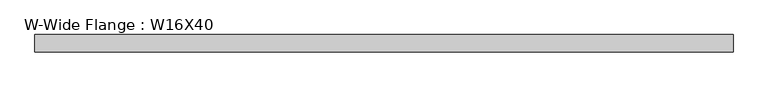
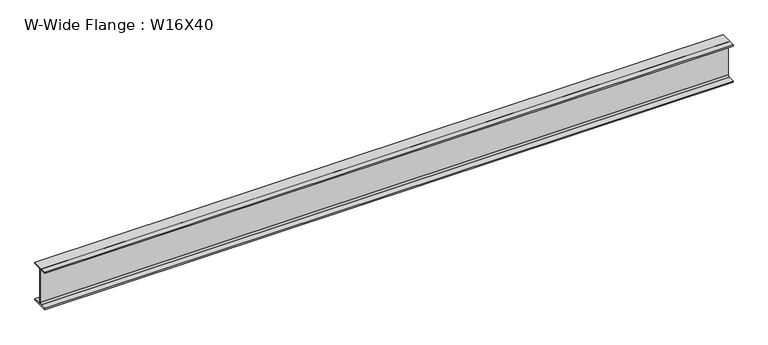
"""IFC4 building model written with IfcOpenShell, lengths in millimetres: beam geometry, W-Wide Flange : W16X40."""

from ifc_helpers import new_model, si_unit, point, frame, frame_2d, origin, place, context, project, spatial, polyline, circle_curve, trimmed, segment, composite_curve, outline, extrude, source, transform, mapped, element, save


def w_wide_flange_w16x40_d6282f55(model_context):
    return source(origin(), model_context, "Body", "SweptSolid", [
        extrude(outline(composite_curve([segment(polyline([(88.9, -190.4), (88.9, -203.2), (-88.9, -203.2), (-88.9, -190.4), (-21.25, -190.4)]), True, "CONTINUOUS"), segment(trimmed(circle_curve(frame_2d((-21.25, -173.0)), 17.4), [point((-21.25, -190.4))], [point((-3.85, -173.0))], True, "CARTESIAN"), True, "CONTINUOUS"), segment(polyline([(-3.85, -173.0), (-3.85, 173.0)]), True, "CONTINUOUS"), segment(trimmed(circle_curve(frame_2d((-21.25, 173.0)), 17.4), [point((-3.85, 173.0))], [point((-21.25, 190.4))], True, "CARTESIAN"), True, "CONTINUOUS"), segment(polyline([(-21.25, 190.4), (-88.9, 190.4), (-88.9, 203.2), (88.9, 203.2), (88.9, 190.4), (21.25, 190.4)]), True, "CONTINUOUS"), segment(trimmed(circle_curve(frame_2d((21.25, 173.0)), 17.4), [point((21.25, 190.4))], [point((3.85, 173.0))], True, "CARTESIAN"), True, "CONTINUOUS"), segment(polyline([(3.85, 173.0), (3.85, -173.0)]), True, "CONTINUOUS"), segment(trimmed(circle_curve(frame_2d((21.25, -173.0)), 17.4), [point((3.85, -173.0))], [point((21.25, -190.4))], True, "CARTESIAN"), True, "CONTINUOUS"), segment(polyline([(21.25, -190.4), (88.9, -190.4)]), True, "CONTINUOUS")], self_intersect=False)), frame((-1539.5667676, 0.0, 0.0), z_axis=(1.0, 0.0, 0.0), x_axis=(0.0, 1.0, 0.0)), (0.0, 0.0, 1.0), 7068.2074956),
    ])


if __name__ == "__main__":
    model = new_model("IFC4")
    model_context = context("Model", 3, world=origin())
    ifc_project = project(units=[si_unit("LENGTHUNIT", "METRE", prefix="MILLI")], contexts=[model_context])
    site = spatial("IfcSite", under=ifc_project)
    building = spatial("IfcBuilding", under=site)
    placement = place(None, origin())
    w_wide_flange_w16x40_shape = w_wide_flange_w16x40_d6282f55(model_context)
    element("IfcBeam", 1, ObjectType="W-Wide Flange : W16X40", at=placement, inside=building, context=model_context, shape_type="MappedRepresentation", body=[
        mapped(w_wide_flange_w16x40_shape, transform((0.0, 0.0, 0.0), x_axis=(1.0, 0.0, 0.0), y_axis=(0.0, 1.0, 0.0), z_axis=(0.0, 0.0, 1.0))),
    ])
    save(model, "model.ifc")
